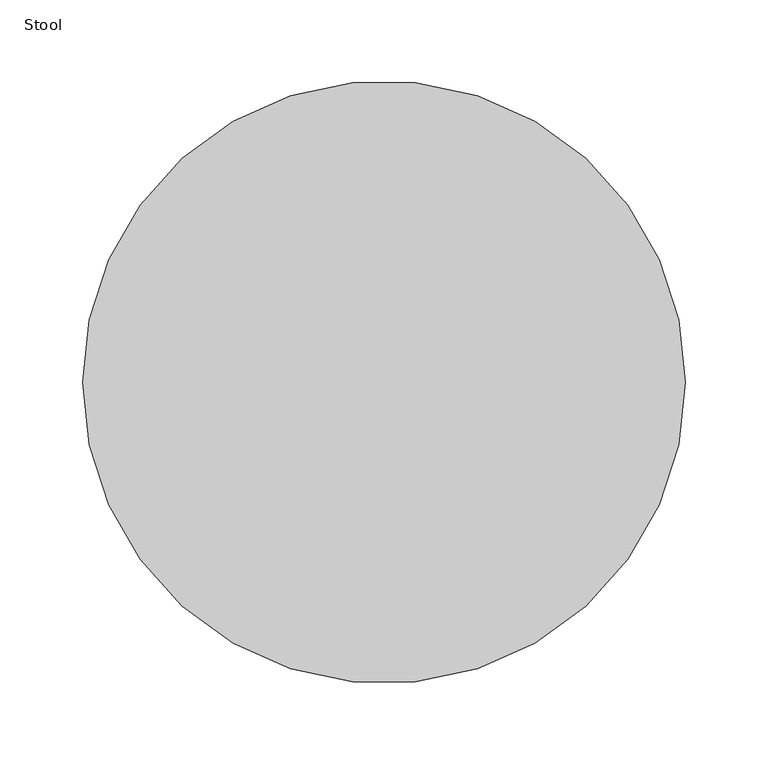
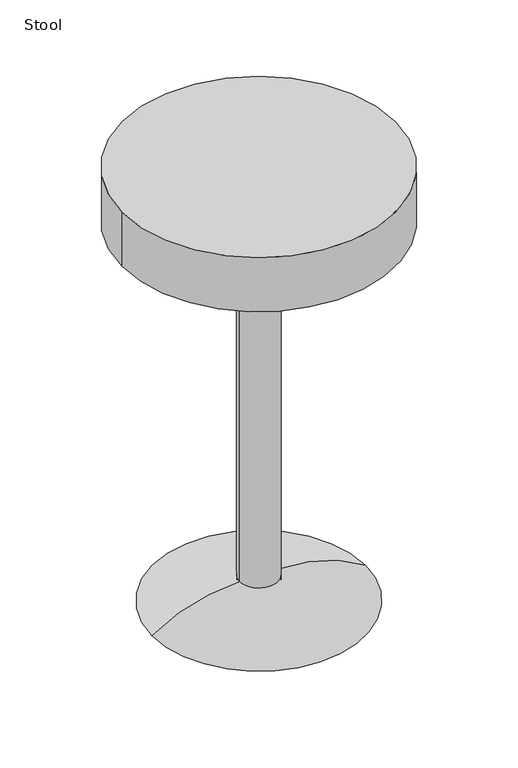
"""IFC4 building model written with IfcOpenShell, lengths in millimetres: proxy geometry, Stool."""

from ifc_helpers import new_model, si_unit, point, frame, origin, origin_with_axes, origin_2d, place, context, project, spatial, polyline, circle_curve, ellipse_curve, trimmed, segment, composite_curve, outline, extrude, source, transform, mapped, element, save
from ifc_brep_helpers import plane_surface, revolved_surface, advanced_brep


def stool_e4390bad(model_context):
    return source(origin(), model_context, "Body", "SolidModel", [
        advanced_brep(
        [(25.4466483, 0.0, 0.0), (-25.4466483, 0.0, 0.0), (-25.4466483, 0.0, 35.533517), (25.4466483, 0.0, 35.533517), (-141.6715454, 0.0, 0.0), (141.6715454, 0.0, 0.0)],
        [
            (0, 1, circle_curve(frame((0.0, 0.0, 0.0), z_axis=(0.0, 0.0, -1.0), x_axis=(-1.0, 0.0, 0.0)), 25.4466483)),
            (1, 2),
            (2, 3, circle_curve(frame((0.0, 0.0, 35.533517), z_axis=(0.0, 0.0, 1.0), x_axis=(-1.0, 0.0, 0.0)), 25.4466483)),
            (3, 0),
            (2, 4, circle_curve(frame((-27.5960377, 0.0, -165.28016), z_axis=(0.0, -1.0, 0.0), x_axis=(1.0, 0.0, 0.0)), 200.8251796)),
            (4, 5, circle_curve(frame((0.0, 0.0, 0.0), z_axis=(0.0, 0.0, 1.0), x_axis=(-1.0, 0.0, 0.0)), 141.6715454)),
            (5, 3, circle_curve(frame((27.5960377, 0.0, -165.28016), z_axis=(0.0, -1.0, 0.0), x_axis=(-1.0, 0.0, 0.0)), 200.8251796)),
            (1, 0, circle_curve(frame((0.0, 0.0, 0.0), z_axis=(0.0, 0.0, -1.0), x_axis=(1.0, 0.0, 0.0)), 25.4466483)),
            (3, 2, circle_curve(frame((0.0, 0.0, 35.533517), z_axis=(0.0, 0.0, 1.0), x_axis=(1.0, 0.0, 0.0)), 25.4466483)),
            (4, 5, circle_curve(frame((0.0, 0.0, 0.0), z_axis=(0.0, 0.0, -1.0), x_axis=(1.0, 0.0, 0.0)), 141.6715454)),
        ],
        [
            revolved_surface(polyline([(-25.4466483, 0.0, 35.533517), (-25.4466483, 0.0, 0.0)]), (0.0, 0.0, 0.0), (0.0, 0.0, 1.0)),
            revolved_surface(trimmed(ellipse_curve(frame((-27.5960377, 0.0, -165.28016), z_axis=(0.0, 1.0, 0.0), x_axis=(1.0, 0.0, 0.0)), 200.8251796, 200.8251796), [point((-141.6715454, 0.0, 0.0))], [point((-25.4466483, 0.0, 35.533517))], True, "CARTESIAN"), (0.0, 0.0, 0.0), (0.0, 0.0, 1.0)),
            revolved_surface(polyline([(25.4466483, 0.0, 35.533517), (25.4466483, 0.0, 0.0)]), (0.0, 0.0, 0.0), (0.0, 0.0, 1.0)),
            plane_surface(frame((0.0, 0.0, 0.0), z_axis=(0.0, 0.0, -1.0), x_axis=(1.0, 0.0, 0.0))),
            revolved_surface(trimmed(ellipse_curve(frame((27.5960377, 0.0, -165.28016), z_axis=(0.0, -1.0, 0.0), x_axis=(-1.0, 0.0, 0.0)), 200.8251796, 200.8251796), [point((141.6715454, 0.0, 0.0))], [point((25.4466483, 0.0, 35.533517))], True, "CARTESIAN"), (0.0, 0.0, 0.0), (0.0, 0.0, 1.0)),
        ],
        [
            (0, [[1, 2, 3, 4]]),
            (1, [[-3, 5, 6, 7]]),
            (2, [[8, -4, 9, -2]]),
            (3, [[10, -6], [-8, -1]]),
            (4, [[-9, -7, -10, -5]]),
        ],
    ),
        extrude(outline(composite_curve([segment(trimmed(circle_curve(origin_2d(), 25.4466483), [point((-25.4466483, 0.0))], [point((25.4466483, 0.0))], False, "CARTESIAN"), True, "CONTINUOUS"), segment(trimmed(circle_curve(origin_2d(), 25.4466483), [point((25.4466483, 0.0))], [point((-25.4466483, 0.0))], False, "CARTESIAN"), True, "CONTINUOUS")], self_intersect=False)), origin_with_axes(), (0.0, 0.0, 1.0), 533.4),
        extrude(outline(composite_curve([segment(trimmed(circle_curve(origin_2d(), 182.0019338), [point((-182.0019338, 0.0))], [point((182.0019338, 0.0))], False, "CARTESIAN"), True, "CONTINUOUS"), segment(trimmed(circle_curve(origin_2d(), 182.0019338), [point((182.0019338, 0.0))], [point((-182.0019338, 0.0))], False, "CARTESIAN"), True, "CONTINUOUS")], self_intersect=False)), frame((0.0, 0.0, 533.4), z_axis=(0.0, 0.0, 1.0), x_axis=(1.0, 0.0, 0.0)), (0.0, 0.0, 1.0), 76.2),
    ])


if __name__ == "__main__":
    model = new_model("IFC4")
    model_context = context("Model", 3, world=origin())
    ifc_project = project(units=[si_unit("LENGTHUNIT", "METRE", prefix="MILLI")], contexts=[model_context])
    site = spatial("IfcSite", under=ifc_project)
    building = spatial("IfcBuilding", under=site)
    placement = place(None, origin())
    stool_shape = stool_e4390bad(model_context)
    element("IfcBuildingElementProxy", 1, Name="Stool", ObjectType="Stool", at=placement, inside=building, context=model_context, shape_type="MappedRepresentation", body=[
        mapped(stool_shape, transform((0.0, 0.0, 0.0), x_axis=(1.0, 0.0, 0.0), y_axis=(0.0, 1.0, 0.0), z_axis=(0.0, 0.0, 1.0))),
    ])
    save(model, "model.ifc")
